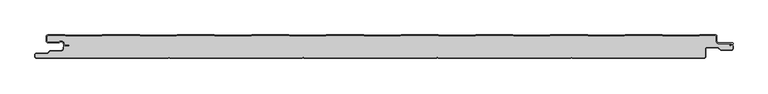
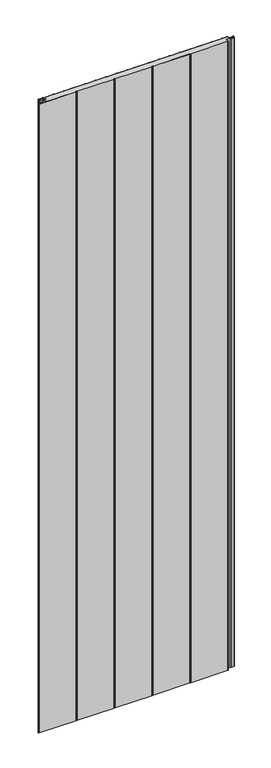
"""IFC4 building model written with IfcOpenShell, lengths in millimetres: plate geometry."""

from ifc_helpers import new_model, si_unit, point, frame_2d, origin, origin_with_axes, place, context, project, spatial, polyline, circle_curve, trimmed, segment, composite_curve, outline, extrude, source, transform, mapped, element, save


def plate_e1d27925(model_context):
    return source(origin(), model_context, "Body", "SweptSolid", [
        extrude(outline(composite_curve([segment(trimmed(circle_curve(frame_2d((-497.49499, -9.0180361)), 2.50501), [point((-497.49499, -11.5230461))], [point((-500.0, -9.0180361))], False, "CARTESIAN"), True, "CONTINUOUS"), segment(polyline([(-500.0, -9.0180361), (-500.0, -2.50501)]), True, "CONTINUOUS"), segment(trimmed(circle_curve(frame_2d((-497.49499, -2.50501)), 2.50501), [point((-500.0, -2.50501))], [point((-497.49499, 0.0))], False, "CARTESIAN"), True, "CONTINUOUS"), segment(polyline([(-497.49499, 0.0), (-472.2103007, 0.0), (-471.028188, -0.6012024), (-417.6391467, -0.6012024), (-416.457034, 0.0), (-360.8776353, 0.0), (-359.6955227, -0.6012024), (-306.3064814, -0.6012024), (-305.1243687, 0.0), (-249.54497, 0.0), (-248.3628573, -0.6012024), (-194.973816, -0.6012024), (-193.7917033, 0.0), (-138.2123047, 0.0), (-137.030192, -0.6012024), (-83.6411507, -0.6012024), (-82.459038, 0.0), (-26.8796393, 0.0), (-25.6975267, -0.6012024), (27.6915146, -0.6012024), (28.8736273, 0.0), (84.453026, 0.0), (85.6351387, -0.6012024), (139.02418, -0.6012024), (140.2062927, 0.0), (195.7856913, 0.0), (196.967804, -0.6012024), (250.3568453, -0.6012024), (251.538958, 0.0), (307.1183566, 0.0), (308.3004693, -0.6012024), (361.6895106, -0.6012024), (362.8716233, 0.0), (418.451022, 0.0), (419.6331347, -0.6012024), (473.022176, -0.6012024), (474.2042886, 0.0), (497.49499, 0.0)]), True, "CONTINUOUS"), segment(trimmed(circle_curve(frame_2d((497.49499, -2.50501)), 2.50501), [point((497.49499, 0.0))], [point((500.0, -2.50501))], False, "CARTESIAN"), True, "CONTINUOUS"), segment(polyline([(500.0, -2.50501), (500.0, -10.0200401)]), True, "CONTINUOUS"), segment(trimmed(circle_curve(frame_2d((502.004008, -10.0200401)), 2.004008), [point((500.0, -10.0200401))], [point((502.004008, -12.0240481))], True, "CARTESIAN"), True, "CONTINUOUS"), segment(polyline([(502.004008, -12.0240481), (522.96027, -12.0240481)]), True, "CONTINUOUS"), segment(trimmed(circle_curve(frame_2d((522.96027, -13.0490481)), 1.025), [point((522.96027, -12.0240481))], [point((523.47277, -13.9367241))], False, "CARTESIAN"), True, "CONTINUOUS"), segment(polyline([(523.47277, -13.9367241), (519.5390782, -16.2078422), (519.1390782, -15.5150218), (522.183956, -13.7570608)]), True, "CONTINUOUS"), segment(trimmed(circle_curve(frame_2d((521.933956, -13.3240481)), 0.5), [point((522.183956, -13.7570608))], [point((521.933956, -12.8240481))], True, "CARTESIAN"), True, "CONTINUOUS"), segment(polyline([(521.933956, -12.8240481), (502.004008, -12.8240481)]), True, "CONTINUOUS"), segment(trimmed(circle_curve(frame_2d((502.004008, -10.0200401)), 2.804008), [point((502.004008, -12.8240481))], [point((499.2, -10.0200401))], False, "CARTESIAN"), True, "CONTINUOUS"), segment(polyline([(499.2, -10.0200401), (499.2, -2.50501)]), True, "CONTINUOUS"), segment(trimmed(circle_curve(frame_2d((497.49499, -2.50501)), 1.70501), [point((499.2, -2.50501))], [point((497.49499, -0.8))], True, "CARTESIAN"), True, "CONTINUOUS"), segment(polyline([(497.49499, -0.8), (474.396035, -0.8), (473.2139223, -1.4012024), (419.4413883, -1.4012024), (418.2592756, -0.8), (363.0633697, -0.8), (361.881257, -1.4012024), (308.108723, -1.4012024), (306.9266103, -0.8), (251.7307044, -0.8), (250.5485917, -1.4012024), (196.7760576, -1.4012024), (195.5939449, -0.8), (140.398039, -0.8), (139.2159263, -1.4012024), (85.4433923, -1.4012024), (84.2612796, -0.8), (29.0653737, -0.8), (27.883261, -1.4012024), (-25.889273, -1.4012024), (-27.0713857, -0.8), (-82.2672916, -0.8), (-83.4494043, -1.4012024), (-137.2219384, -1.4012024), (-138.4040511, -0.8), (-193.599957, -0.8), (-194.7820696, -1.4012024), (-248.5546037, -1.4012024), (-249.7367164, -0.8), (-304.9326223, -0.8), (-306.114735, -1.4012024), (-359.887269, -1.4012024), (-361.0693817, -0.8), (-416.2652876, -0.8), (-417.4474003, -1.4012024), (-471.2199344, -1.4012024), (-472.4020471, -0.8), (-497.49499, -0.8)]), True, "CONTINUOUS"), segment(trimmed(circle_curve(frame_2d((-497.49499, -2.50501)), 1.70501), [point((-497.49499, -0.8))], [point((-499.2, -2.50501))], True, "CARTESIAN"), True, "CONTINUOUS"), segment(polyline([(-499.2, -2.50501), (-499.2, -9.0180361)]), True, "CONTINUOUS"), segment(trimmed(circle_curve(frame_2d((-497.49499, -9.0180361)), 1.70501), [point((-499.2, -9.0180361))], [point((-497.49499, -10.7230461))], True, "CARTESIAN"), True, "CONTINUOUS"), segment(polyline([(-497.49499, -10.7230461), (-481.8173283, -10.7230461)]), True, "CONTINUOUS"), segment(trimmed(circle_curve(frame_2d((-481.8173283, -9.0180361)), 1.70501), [point((-481.8173283, -10.7230461))], [point((-480.6895701, -10.2967936))], True, "CARTESIAN"), True, "CONTINUOUS"), segment(trimmed(circle_curve(frame_2d((-477.8407481, -13.5270541)), 4.307014), [point((-480.6895701, -10.2967936))], [point((-473.7934788, -12.0539686))], False, "CARTESIAN"), True, "CONTINUOUS"), segment(polyline([(-473.7934788, -12.0539686), (-473.0450711, -14.1102019)]), True, "CONTINUOUS"), segment(trimmed(circle_curve(frame_2d((-471.4428858, -13.5270541)), 1.70501), [point((-473.0450711, -14.1102019))], [point((-471.4428858, -15.2320641))], True, "CARTESIAN"), True, "CONTINUOUS"), segment(polyline([(-471.4428858, -15.2320641), (-466.4328657, -15.2320641), (-466.4328657, -16.0320641), (-471.4428858, -16.0320641)]), True, "CONTINUOUS"), segment(trimmed(circle_curve(frame_2d((-471.4428858, -13.5270541)), 2.50501), [point((-471.4428858, -16.0320641))], [point((-473.7968252, -14.383818))], False, "CARTESIAN"), True, "CONTINUOUS"), segment(polyline([(-473.7968252, -14.383818), (-474.5452329, -12.3275847)]), True, "CONTINUOUS"), segment(trimmed(circle_curve(frame_2d((-477.8407481, -13.5270541)), 3.507014), [point((-474.5452329, -12.3275847))], [point((-480.1604199, -10.8967936))], True, "CARTESIAN"), True, "CONTINUOUS"), segment(trimmed(circle_curve(frame_2d((-481.8173283, -9.0180361)), 2.50501), [point((-480.1604199, -10.8967936))], [point((-481.8173283, -11.5230461))], False, "CARTESIAN"), True, "CONTINUOUS"), segment(polyline([(-481.8173283, -11.5230461), (-497.49499, -11.5230461)]), True, "CONTINUOUS")], self_intersect=False)), origin_with_axes(), (0.0, 0.0, 1.0), 3500.0),
        extrude(outline(composite_curve([segment(polyline([(523.2, -12.8240481), (523.2, -20.25)]), True, "CONTINUOUS"), segment(trimmed(circle_curve(frame_2d((521.5, -20.25)), 1.7), [point((523.2, -20.25))], [point((521.5, -21.95))], False, "CARTESIAN"), True, "CONTINUOUS"), segment(polyline([(521.5, -21.95), (505.8492873, -21.95), (501.7886271, -18.2), (485.0, -18.2)]), True, "CONTINUOUS"), segment(trimmed(circle_curve(frame_2d((485.0, -21.0)), 2.8), [point((485.0, -18.2))], [point((482.2, -21.0))], True, "CARTESIAN"), True, "CONTINUOUS"), segment(polyline([(482.2, -21.0), (482.2, -32.5)]), True, "CONTINUOUS"), segment(trimmed(circle_curve(frame_2d((480.5, -32.5)), 1.7), [point((482.2, -32.5))], [point((480.5, -34.2))], False, "CARTESIAN"), True, "CONTINUOUS"), segment(polyline([(480.5, -34.2), (285.5, -34.2)]), True, "CONTINUOUS"), segment(trimmed(circle_curve(frame_2d((285.5, -32.5)), 1.7), [point((285.5, -34.2))], [point((284.0845596, -33.4415563))], False, "CARTESIAN"), True, "CONTINUOUS"), segment(trimmed(circle_curve(frame_2d((283.0, -34.1630095)), 1.302599), [point((284.0845596, -33.4415563))], [point((281.9154404, -33.4415563))], True, "CARTESIAN"), True, "CONTINUOUS"), segment(trimmed(circle_curve(frame_2d((280.5, -32.5)), 1.7), [point((281.9154404, -33.4415563))], [point((280.5, -34.2))], False, "CARTESIAN"), True, "CONTINUOUS"), segment(polyline([(280.5, -34.2), (85.5, -34.2)]), True, "CONTINUOUS"), segment(trimmed(circle_curve(frame_2d((85.5, -32.5)), 1.7), [point((85.5, -34.2))], [point((84.0845596, -33.4415563))], False, "CARTESIAN"), True, "CONTINUOUS"), segment(trimmed(circle_curve(frame_2d((83.0, -34.1630095)), 1.302599), [point((84.0845596, -33.4415563))], [point((81.9154404, -33.4415563))], True, "CARTESIAN"), True, "CONTINUOUS"), segment(trimmed(circle_curve(frame_2d((80.5, -32.5)), 1.7), [point((81.9154404, -33.4415563))], [point((80.5, -34.2))], False, "CARTESIAN"), True, "CONTINUOUS"), segment(polyline([(80.5, -34.2), (-114.5, -34.2)]), True, "CONTINUOUS"), segment(trimmed(circle_curve(frame_2d((-114.5, -32.5)), 1.7), [point((-114.5, -34.2))], [point((-115.9154404, -33.4415563))], False, "CARTESIAN"), True, "CONTINUOUS"), segment(trimmed(circle_curve(frame_2d((-117.0, -34.1630095)), 1.302599), [point((-115.9154404, -33.4415563))], [point((-118.0845596, -33.4415563))], True, "CARTESIAN"), True, "CONTINUOUS"), segment(trimmed(circle_curve(frame_2d((-119.5, -32.5)), 1.7), [point((-118.0845596, -33.4415563))], [point((-119.5, -34.2))], False, "CARTESIAN"), True, "CONTINUOUS"), segment(polyline([(-119.5, -34.2), (-314.5, -34.2)]), True, "CONTINUOUS"), segment(trimmed(circle_curve(frame_2d((-314.5, -32.5)), 1.7), [point((-314.5, -34.2))], [point((-315.9154404, -33.4415563))], False, "CARTESIAN"), True, "CONTINUOUS"), segment(trimmed(circle_curve(frame_2d((-317.0, -34.1630095)), 1.302599), [point((-315.9154404, -33.4415563))], [point((-318.0845596, -33.4415563))], True, "CARTESIAN"), True, "CONTINUOUS"), segment(trimmed(circle_curve(frame_2d((-319.5, -32.5)), 1.7), [point((-318.0845596, -33.4415563))], [point((-319.5, -34.2))], False, "CARTESIAN"), True, "CONTINUOUS"), segment(polyline([(-319.5, -34.2), (-514.5, -34.2)]), True, "CONTINUOUS"), segment(trimmed(circle_curve(frame_2d((-514.5, -32.5)), 1.7), [point((-514.5, -34.2))], [point((-516.2, -32.5))], False, "CARTESIAN"), True, "CONTINUOUS"), segment(polyline([(-516.2, -32.5), (-516.2, -29.5)]), True, "CONTINUOUS"), segment(trimmed(circle_curve(frame_2d((-514.5, -29.5)), 1.7), [point((-516.2, -29.5))], [point((-514.5, -27.8))], False, "CARTESIAN"), True, "CONTINUOUS"), segment(polyline([(-514.5, -27.8), (-498.1686292, -27.8), (-494.4186292, -24.05), (-477.0, -24.05)]), True, "CONTINUOUS"), segment(trimmed(circle_curve(frame_2d((-477.0, -21.25)), 2.8), [point((-477.0, -24.05))], [point((-474.2, -21.25))], True, "CARTESIAN"), True, "CONTINUOUS"), segment(polyline([(-474.2, -21.25), (-474.2, -11.2258973)]), True, "CONTINUOUS"), segment(trimmed(circle_curve(frame_2d((-477.8407481, -13.5270541)), 4.307014), [point((-474.2, -11.2258973))], [point((-480.6895701, -10.2967936))], True, "CARTESIAN"), True, "CONTINUOUS"), segment(trimmed(circle_curve(frame_2d((-481.8173283, -9.0180361)), 1.70501), [point((-480.6895701, -10.2967936))], [point((-481.8173283, -10.7230461))], False, "CARTESIAN"), True, "CONTINUOUS"), segment(polyline([(-481.8173283, -10.7230461), (-497.49499, -10.7230461)]), True, "CONTINUOUS"), segment(trimmed(circle_curve(frame_2d((-497.49499, -9.0180361)), 1.70501), [point((-497.49499, -10.7230461))], [point((-499.2, -9.0180361))], False, "CARTESIAN"), True, "CONTINUOUS"), segment(polyline([(-499.2, -9.0180361), (-499.2, -2.50501)]), True, "CONTINUOUS"), segment(trimmed(circle_curve(frame_2d((-497.49499, -2.50501)), 1.70501), [point((-499.2, -2.50501))], [point((-497.49499, -0.8))], False, "CARTESIAN"), True, "CONTINUOUS"), segment(polyline([(-497.49499, -0.8), (-472.4020471, -0.8), (-471.2199344, -1.4012024), (-417.4474003, -1.4012024), (-416.2652876, -0.8), (-361.0693817, -0.8), (-359.887269, -1.4012024), (-306.114735, -1.4012024), (-304.9326223, -0.8), (-249.7367164, -0.8), (-248.5546037, -1.4012024), (-194.7820696, -1.4012024), (-193.599957, -0.8), (-138.4040511, -0.8), (-137.2219384, -1.4012024), (-83.4494043, -1.4012024), (-82.2672916, -0.8), (-27.0713857, -0.8), (-25.889273, -1.4012024), (27.883261, -1.4012024), (29.0653737, -0.8), (84.2612796, -0.8), (85.4433923, -1.4012024), (139.2159263, -1.4012024), (140.398039, -0.8), (195.5939449, -0.8), (196.7760576, -1.4012024), (250.5485917, -1.4012024), (251.7307044, -0.8), (306.9266103, -0.8), (308.108723, -1.4012024), (361.881257, -1.4012024), (363.0633697, -0.8), (418.2592756, -0.8), (419.4413883, -1.4012024), (473.2139223, -1.4012024), (474.396035, -0.8), (497.49499, -0.8)]), True, "CONTINUOUS"), segment(trimmed(circle_curve(frame_2d((497.49499, -2.50501)), 1.70501), [point((497.49499, -0.8))], [point((499.2, -2.50501))], False, "CARTESIAN"), True, "CONTINUOUS"), segment(polyline([(499.2, -2.50501), (499.2, -10.0200401)]), True, "CONTINUOUS"), segment(trimmed(circle_curve(frame_2d((502.004008, -10.0200401)), 2.804008), [point((499.2, -10.0200401))], [point((502.004008, -12.8240481))], True, "CARTESIAN"), True, "CONTINUOUS"), segment(polyline([(502.004008, -12.8240481), (523.2, -12.8240481)]), True, "CONTINUOUS")], self_intersect=False)), origin_with_axes(), (0.0, 0.0, 1.0), 3500.0),
        extrude(outline(composite_curve([segment(polyline([(-319.5, -35.0), (-514.5, -35.0)]), True, "CONTINUOUS"), segment(trimmed(circle_curve(frame_2d((-514.5, -32.5)), 2.5), [point((-514.5, -35.0))], [point((-517.0, -32.5))], False, "CARTESIAN"), True, "CONTINUOUS"), segment(polyline([(-517.0, -32.5), (-517.0, -29.5)]), True, "CONTINUOUS"), segment(trimmed(circle_curve(frame_2d((-514.5, -29.5)), 2.5), [point((-517.0, -29.5))], [point((-514.5, -27.0))], False, "CARTESIAN"), True, "CONTINUOUS"), segment(polyline([(-514.5, -27.0), (-498.5, -27.0), (-494.75, -23.25), (-477.0, -23.25)]), True, "CONTINUOUS"), segment(trimmed(circle_curve(frame_2d((-477.0, -21.25)), 2.0), [point((-477.0, -23.25))], [point((-475.0, -21.25))], True, "CARTESIAN"), True, "CONTINUOUS"), segment(polyline([(-475.0, -21.25), (-475.0, -18.25), (-474.2, -18.25), (-474.2, -21.25)]), True, "CONTINUOUS"), segment(trimmed(circle_curve(frame_2d((-477.0, -21.25)), 2.8), [point((-474.2, -21.25))], [point((-477.0, -24.05))], False, "CARTESIAN"), True, "CONTINUOUS"), segment(polyline([(-477.0, -24.05), (-494.4186292, -24.05), (-498.1686292, -27.8), (-514.5, -27.8)]), True, "CONTINUOUS"), segment(trimmed(circle_curve(frame_2d((-514.5, -29.5)), 1.7), [point((-514.5, -27.8))], [point((-516.2, -29.5))], True, "CARTESIAN"), True, "CONTINUOUS"), segment(polyline([(-516.2, -29.5), (-516.2, -32.5)]), True, "CONTINUOUS"), segment(trimmed(circle_curve(frame_2d((-514.5, -32.5)), 1.7), [point((-516.2, -32.5))], [point((-514.5, -34.2))], True, "CARTESIAN"), True, "CONTINUOUS"), segment(polyline([(-514.5, -34.2), (-319.5, -34.2)]), True, "CONTINUOUS"), segment(trimmed(circle_curve(frame_2d((-319.5, -32.5)), 1.7), [point((-319.5, -34.2))], [point((-318.0845596, -33.4415563))], True, "CARTESIAN"), True, "CONTINUOUS"), segment(trimmed(circle_curve(frame_2d((-317.0, -34.1630095)), 1.302599), [point((-318.0845596, -33.4415563))], [point((-315.9154404, -33.4415563))], False, "CARTESIAN"), True, "CONTINUOUS"), segment(trimmed(circle_curve(frame_2d((-314.5, -32.5)), 1.7), [point((-315.9154404, -33.4415563))], [point((-314.5, -34.2))], True, "CARTESIAN"), True, "CONTINUOUS"), segment(polyline([(-314.5, -34.2), (-119.5, -34.2)]), True, "CONTINUOUS"), segment(trimmed(circle_curve(frame_2d((-119.5, -32.5)), 1.7), [point((-119.5, -34.2))], [point((-118.0845596, -33.4415563))], True, "CARTESIAN"), True, "CONTINUOUS"), segment(trimmed(circle_curve(frame_2d((-117.0, -34.1630095)), 1.302599), [point((-118.0845596, -33.4415563))], [point((-115.9154404, -33.4415563))], False, "CARTESIAN"), True, "CONTINUOUS"), segment(trimmed(circle_curve(frame_2d((-114.5, -32.5)), 1.7), [point((-115.9154404, -33.4415563))], [point((-114.5, -34.2))], True, "CARTESIAN"), True, "CONTINUOUS"), segment(polyline([(-114.5, -34.2), (80.5, -34.2)]), True, "CONTINUOUS"), segment(trimmed(circle_curve(frame_2d((80.5, -32.5)), 1.7), [point((80.5, -34.2))], [point((81.9154404, -33.4415563))], True, "CARTESIAN"), True, "CONTINUOUS"), segment(trimmed(circle_curve(frame_2d((83.0, -34.1630095)), 1.302599), [point((81.9154404, -33.4415563))], [point((84.0845596, -33.4415563))], False, "CARTESIAN"), True, "CONTINUOUS"), segment(trimmed(circle_curve(frame_2d((85.5, -32.5)), 1.7), [point((84.0845596, -33.4415563))], [point((85.5, -34.2))], True, "CARTESIAN"), True, "CONTINUOUS"), segment(polyline([(85.5, -34.2), (280.5, -34.2)]), True, "CONTINUOUS"), segment(trimmed(circle_curve(frame_2d((280.5, -32.5)), 1.7), [point((280.5, -34.2))], [point((281.9154404, -33.4415563))], True, "CARTESIAN"), True, "CONTINUOUS"), segment(trimmed(circle_curve(frame_2d((283.0, -34.1630095)), 1.302599), [point((281.9154404, -33.4415563))], [point((284.0845596, -33.4415563))], False, "CARTESIAN"), True, "CONTINUOUS"), segment(trimmed(circle_curve(frame_2d((285.5, -32.5)), 1.7), [point((284.0845596, -33.4415563))], [point((285.5, -34.2))], True, "CARTESIAN"), True, "CONTINUOUS"), segment(polyline([(285.5, -34.2), (480.5, -34.2)]), True, "CONTINUOUS"), segment(trimmed(circle_curve(frame_2d((480.5, -32.5)), 1.7), [point((480.5, -34.2))], [point((482.2, -32.5))], True, "CARTESIAN"), True, "CONTINUOUS"), segment(polyline([(482.2, -32.5), (482.2, -21.0)]), True, "CONTINUOUS"), segment(trimmed(circle_curve(frame_2d((485.0, -21.0)), 2.8), [point((482.2, -21.0))], [point((485.0, -18.2))], False, "CARTESIAN"), True, "CONTINUOUS"), segment(polyline([(485.0, -18.2), (501.7886271, -18.2), (505.8492873, -21.95), (521.5, -21.95)]), True, "CONTINUOUS"), segment(trimmed(circle_curve(frame_2d((521.5, -20.25)), 1.7), [point((521.5, -21.95))], [point((523.2, -20.25))], True, "CARTESIAN"), True, "CONTINUOUS"), segment(polyline([(523.2, -20.25), (523.2, -16.75), (524.0, -16.75), (524.0, -20.25)]), True, "CONTINUOUS"), segment(trimmed(circle_curve(frame_2d((521.5, -20.25)), 2.5), [point((524.0, -20.25))], [point((521.5, -22.75))], False, "CARTESIAN"), True, "CONTINUOUS"), segment(polyline([(521.5, -22.75), (505.5363961, -22.75), (501.4757359, -19.0), (485.0, -19.0)]), True, "CONTINUOUS"), segment(trimmed(circle_curve(frame_2d((485.0, -21.0)), 2.0), [point((485.0, -19.0))], [point((483.0, -21.0))], True, "CARTESIAN"), True, "CONTINUOUS"), segment(polyline([(483.0, -21.0), (483.0, -32.5)]), True, "CONTINUOUS"), segment(trimmed(circle_curve(frame_2d((480.5, -32.5)), 2.5), [point((483.0, -32.5))], [point((480.5, -35.0))], False, "CARTESIAN"), True, "CONTINUOUS"), segment(polyline([(480.5, -35.0), (285.5, -35.0)]), True, "CONTINUOUS"), segment(trimmed(circle_curve(frame_2d((285.5, -32.5)), 2.5), [point((285.5, -35.0))], [point((283.4184699, -33.8846417))], False, "CARTESIAN"), True, "CONTINUOUS"), segment(trimmed(circle_curve(frame_2d((283.0, -34.1630095)), 0.502599), [point((283.4184699, -33.8846417))], [point((282.5815301, -33.8846417))], True, "CARTESIAN"), True, "CONTINUOUS"), segment(trimmed(circle_curve(frame_2d((280.5, -32.5)), 2.5), [point((282.5815301, -33.8846417))], [point((280.5, -35.0))], False, "CARTESIAN"), True, "CONTINUOUS"), segment(polyline([(280.5, -35.0), (85.5, -35.0)]), True, "CONTINUOUS"), segment(trimmed(circle_curve(frame_2d((85.5, -32.5)), 2.5), [point((85.5, -35.0))], [point((83.4184699, -33.8846417))], False, "CARTESIAN"), True, "CONTINUOUS"), segment(trimmed(circle_curve(frame_2d((83.0, -34.1630095)), 0.502599), [point((83.4184699, -33.8846417))], [point((82.5815301, -33.8846417))], True, "CARTESIAN"), True, "CONTINUOUS"), segment(trimmed(circle_curve(frame_2d((80.5, -32.5)), 2.5), [point((82.5815301, -33.8846417))], [point((80.5, -35.0))], False, "CARTESIAN"), True, "CONTINUOUS"), segment(polyline([(80.5, -35.0), (-114.5, -35.0)]), True, "CONTINUOUS"), segment(trimmed(circle_curve(frame_2d((-114.5, -32.5)), 2.5), [point((-114.5, -35.0))], [point((-116.5815301, -33.8846417))], False, "CARTESIAN"), True, "CONTINUOUS"), segment(trimmed(circle_curve(frame_2d((-117.0, -34.1630095)), 0.502599), [point((-116.5815301, -33.8846417))], [point((-117.4184699, -33.8846417))], True, "CARTESIAN"), True, "CONTINUOUS"), segment(trimmed(circle_curve(frame_2d((-119.5, -32.5)), 2.5), [point((-117.4184699, -33.8846417))], [point((-119.5, -35.0))], False, "CARTESIAN"), True, "CONTINUOUS"), segment(polyline([(-119.5, -35.0), (-314.5, -35.0)]), True, "CONTINUOUS"), segment(trimmed(circle_curve(frame_2d((-314.5, -32.5)), 2.5), [point((-314.5, -35.0))], [point((-316.5815301, -33.8846417))], False, "CARTESIAN"), True, "CONTINUOUS"), segment(trimmed(circle_curve(frame_2d((-317.0, -34.1630095)), 0.502599), [point((-316.5815301, -33.8846417))], [point((-317.4184699, -33.8846417))], True, "CARTESIAN"), True, "CONTINUOUS"), segment(trimmed(circle_curve(frame_2d((-319.5, -32.5)), 2.5), [point((-317.4184699, -33.8846417))], [point((-319.5, -35.0))], False, "CARTESIAN"), True, "CONTINUOUS")], self_intersect=False)), origin_with_axes(), (0.0, 0.0, 1.0), 3500.0),
    ])


if __name__ == "__main__":
    model = new_model("IFC4")
    model_context = context("Model", 3, world=origin())
    ifc_project = project(units=[si_unit("LENGTHUNIT", "METRE", prefix="MILLI")], contexts=[model_context])
    site = spatial("IfcSite", under=ifc_project)
    building = spatial("IfcBuilding", under=site)
    placement = place(None, origin())
    plate_shape = plate_e1d27925(model_context)
    element("IfcPlate", 1, at=placement, inside=building, context=model_context, shape_type="MappedRepresentation", body=[
        mapped(plate_shape, transform((0.0, 0.0, 0.0), x_axis=(1.0, 0.0, 0.0), y_axis=(0.0, 1.0, 0.0), z_axis=(0.0, 0.0, 1.0))),
    ])
    save(model, "model.ifc")
